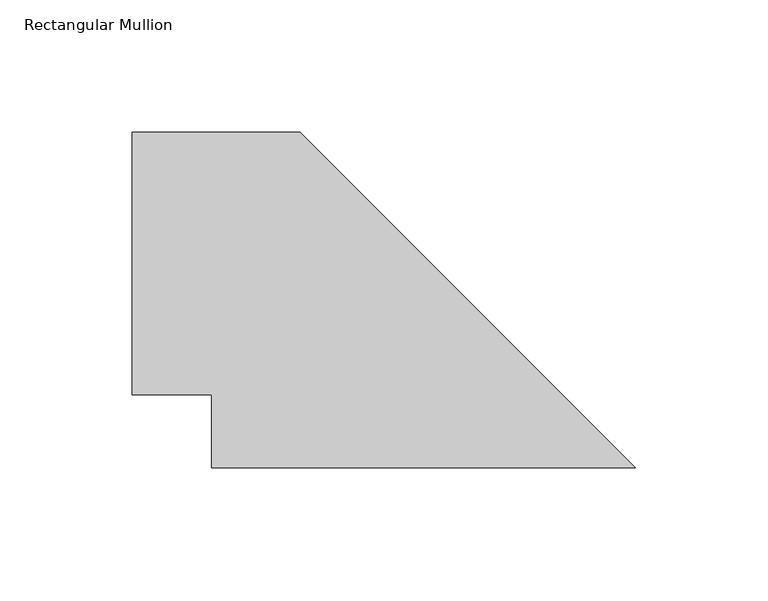
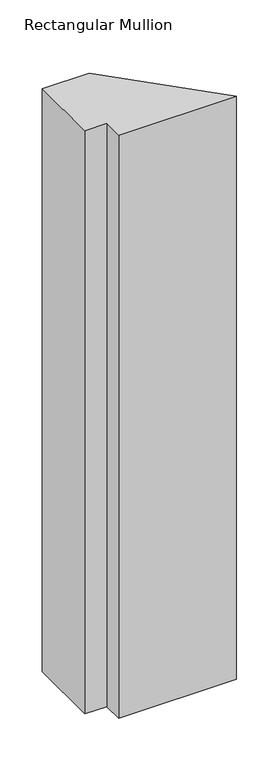
"""IFC4 building model written with IfcOpenShell, lengths in millimetres: member geometry, Rectangular Mullion."""

from ifc_helpers import new_model, si_unit, frame, origin, place, context, project, spatial, polyline, outline, extrude, source, transform, mapped, element, save


def rectangular_mullion_fce75669(model_context):
    return source(origin(), model_context, "Body", "SweptSolid", [
        extrude(outline(polyline([(-172.0794434, 11.6840047), (-172.0794434, 39.3700047), (-202.1840047, 39.3700047), (-202.1840047, 138.6840047), (-138.6840047, 138.6840047), (-11.6840047, 11.6840047), (-172.0794434, 11.6840047)])), frame((0.0, 0.0, -838.2), z_axis=(0.0, 0.0, 1.0), x_axis=(1.0, 0.0, 0.0)), (0.0, 0.0, 1.0), 838.2),
    ])


if __name__ == "__main__":
    model = new_model("IFC4")
    model_context = context("Model", 3, world=origin())
    ifc_project = project(units=[si_unit("LENGTHUNIT", "METRE", prefix="MILLI")], contexts=[model_context])
    site = spatial("IfcSite", under=ifc_project)
    building = spatial("IfcBuilding", under=site)
    placement = place(None, origin())
    rectangular_mullion_shape = rectangular_mullion_fce75669(model_context)
    element("IfcMember", 1, ObjectType="Rectangular Mullion", at=placement, inside=building, context=model_context, shape_type="MappedRepresentation", body=[
        mapped(rectangular_mullion_shape, transform((0.0, 0.0, 0.0), x_axis=(1.0, 0.0, 0.0), y_axis=(0.0, 1.0, 0.0), z_axis=(0.0, 0.0, 1.0))),
    ])
    save(model, "model.ifc")
